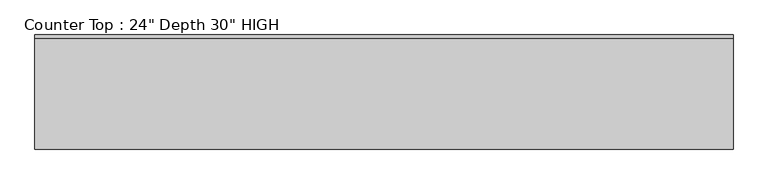
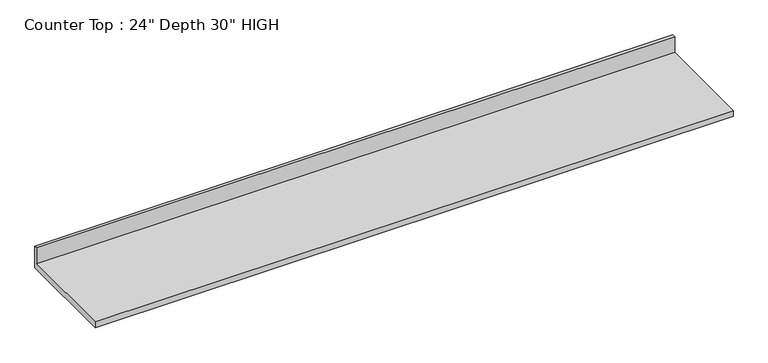
"""IFC4 building model written with IfcOpenShell, lengths in millimetres: furniture geometry."""

from ifc_helpers import new_model, si_unit, frame, origin, place, context, project, spatial, polyline, outline, extrude, source, transform, mapped, element, save


def furniture_c4c26607(model_context):
    return source(origin(), model_context, "Body", "SweptSolid", [
        extrude(outline(polyline([(0.0, 965.2), (0.0, 825.5), (-635.0, 825.5), (-635.0, 863.6), (-19.05, 863.6), (-19.05, 965.2), (0.0, 965.2)])), frame((-1200.4622951, 0.0, 0.0), z_axis=(1.0, 0.0, 0.0), x_axis=(0.0, 1.0, 0.0)), (0.0, 0.0, 1.0), 3883.025),
    ])


if __name__ == "__main__":
    model = new_model("IFC4")
    model_context = context("Model", 3, world=origin())
    ifc_project = project(units=[si_unit("LENGTHUNIT", "METRE", prefix="MILLI")], contexts=[model_context])
    site = spatial("IfcSite", under=ifc_project)
    building = spatial("IfcBuilding", under=site)
    placement = place(None, origin())
    furniture_shape = furniture_c4c26607(model_context)
    element("IfcFurniture", 1, ObjectType="Counter Top : 24\" Depth 30\" HIGH", at=placement, inside=building, context=model_context, shape_type="MappedRepresentation", body=[
        mapped(furniture_shape, transform((0.0, 0.0, 0.0), x_axis=(1.0, 0.0, 0.0), y_axis=(0.0, 1.0, 0.0), z_axis=(0.0, 0.0, 1.0))),
    ])
    save(model, "model.ifc")
